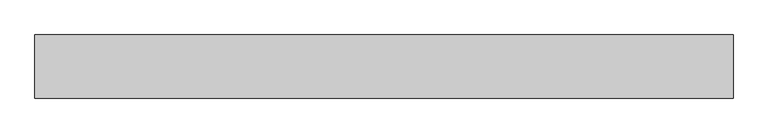
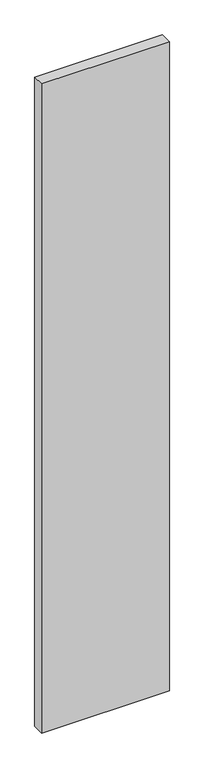
"""IFC4 building model written with IfcOpenShell, lengths in millimetres: proxy geometry."""

from ifc_helpers import new_model, si_unit, frame, origin, place, context, project, spatial, polyline, outline, extrude, source, transform, mapped, element, save


def generic_models_4e9f2141(model_context):
    return source(origin(), model_context, "Body", "SweptSolid", [
        extrude(outline(polyline([(1100.0, 100.0), (1100.0, 0.0), (0.0, 0.0), (0.0, 100.0), (1100.0, 100.0)])), frame((0.0, 0.0, -5900.0), z_axis=(0.0, 0.0, 1.0), x_axis=(1.0, 0.0, 0.0)), (0.0, 0.0, 1.0), 5900.0),
    ])


if __name__ == "__main__":
    model = new_model("IFC4")
    model_context = context("Model", 3, world=origin())
    ifc_project = project(units=[si_unit("LENGTHUNIT", "METRE", prefix="MILLI")], contexts=[model_context])
    site = spatial("IfcSite", under=ifc_project)
    building = spatial("IfcBuilding", under=site)
    placement = place(None, origin())
    generic_models_shape = generic_models_4e9f2141(model_context)
    element("IfcBuildingElementProxy", 1, Name="Generic Models", at=placement, inside=building, context=model_context, shape_type="MappedRepresentation", body=[
        mapped(generic_models_shape, transform((0.0, 0.0, 0.0), x_axis=(1.0, 0.0, 0.0), y_axis=(0.0, 1.0, 0.0), z_axis=(0.0, 0.0, 1.0))),
    ])
    save(model, "model.ifc")
